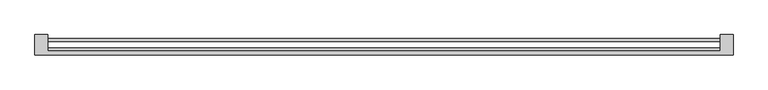
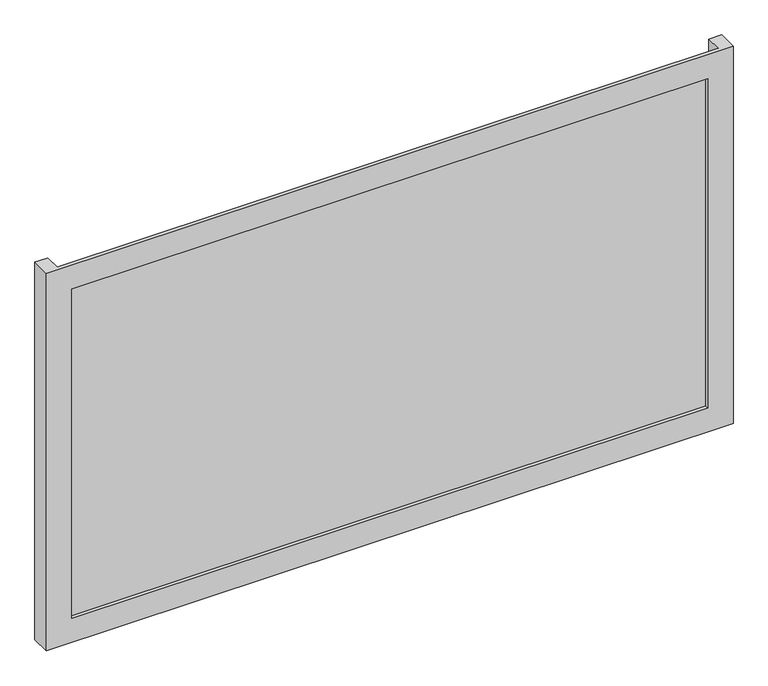
"""IFC4 building model written with IfcOpenShell, lengths in millimetres: plate geometry."""

from ifc_helpers import new_model, si_unit, origin, origin_with_axes, place, context, project, spatial, polyline, outline, extrude, faceted_brep, source, transform, mapped, element, save


def plate_52a284bc(model_context):
    return source(origin(), model_context, "Body", "SolidModel", [
        faceted_brep([(675.0, -50.8, -50.0), (675.0, -89.8, -50.0), (-675.0, -89.8, -50.0), (-675.0, -50.8, -50.0), (-650.0, -50.8, -50.0), (-650.0, -82.8, -50.0), (650.0, -82.8, -50.0), (650.0, -50.8, -50.0), (625.0, -89.8, 0.0), (625.0, -82.8, 0.0), (-625.0, -82.8, 0.0), (-625.0, -89.8, 0.0), (675.0, -89.8, 735.0), (-675.0, -89.8, 735.0), (-625.0, -89.8, 685.0), (625.0, -89.8, 685.0), (-650.0, -82.8, 735.0), (650.0, -82.8, 735.0), (625.0, -82.8, 685.0), (-625.0, -82.8, 685.0), (675.0, -50.8, 735.0), (650.0, -50.8, 735.0), (-650.0, -50.8, 735.0), (-675.0, -50.8, 735.0)], [[[0, 1, 2, 3, 4, 5, 6, 7]], [[8, 9, 10, 11]], [[12, 13, 2, 1], [11, 14, 15, 8]], [[16, 17, 6, 5], [9, 18, 19, 10]], [[20, 21, 17, 16, 22, 23, 13, 12]], [[20, 0, 7, 21]], [[21, 7, 6, 17]], [[8, 15, 18, 9]], [[12, 1, 0, 20]], [[22, 4, 3, 23]], [[16, 5, 4, 22]], [[10, 19, 14, 11]], [[23, 3, 2, 13]], [[18, 15, 14, 19]]]),
        extrude(outline(polyline([(650.0, -76.8), (650.0, -82.8), (-650.0, -82.8), (-650.0, -76.8), (650.0, -76.8)])), origin_with_axes(), (0.0, 0.0, 1.0), 685.0),
        extrude(outline(polyline([(650.0, -64.2), (-650.0, -64.2), (-650.0, -57.8), (650.0, -57.8), (650.0, -64.2)])), origin_with_axes(), (0.0, 0.0, 1.0), 685.0),
    ])


if __name__ == "__main__":
    model = new_model("IFC4")
    model_context = context("Model", 3, world=origin())
    ifc_project = project(units=[si_unit("LENGTHUNIT", "METRE", prefix="MILLI")], contexts=[model_context])
    site = spatial("IfcSite", under=ifc_project)
    building = spatial("IfcBuilding", under=site)
    placement = place(None, origin())
    plate_shape = plate_52a284bc(model_context)
    element("IfcPlate", 1, at=placement, inside=building, context=model_context, shape_type="MappedRepresentation", body=[
        mapped(plate_shape, transform((0.0, 0.0, 0.0), x_axis=(1.0, 0.0, 0.0), y_axis=(0.0, 1.0, 0.0), z_axis=(0.0, 0.0, 1.0))),
    ])
    save(model, "model.ifc")
